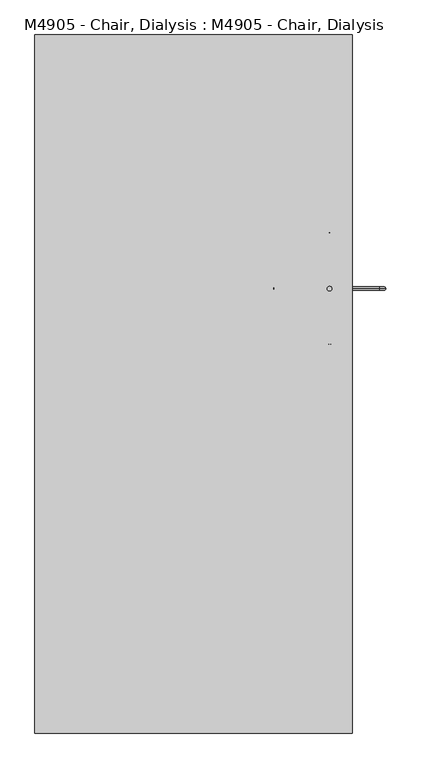
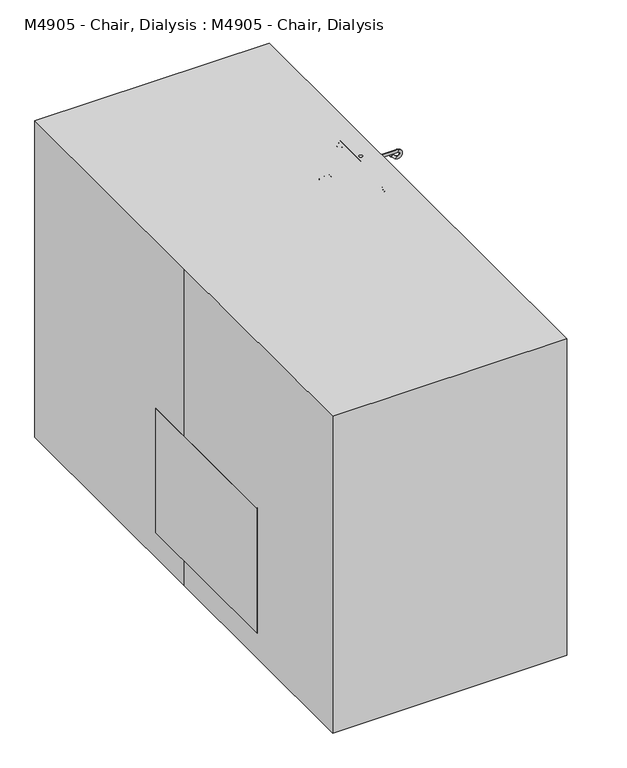
"""IFC4 building model written with IfcOpenShell, lengths in millimetres: proxy geometry, M4905 - Chair, Dialysis : M4905 - Chair, Dialysis."""

from ifc_helpers import new_model, si_unit, point, frame, frame_2d, origin, origin_with_axes, place, context, project, spatial, polyline, circle_curve, ellipse_curve, trimmed, segment, composite_curve, outline, extrude, source, transform, mapped, element, save
from ifc_brep_helpers import plane_surface, cylinder_surface, revolved_surface, advanced_brep


def m4905_chair_dialysis_m4905_chair_dialysis_fdb51b80(model_context):
    return source(origin(), model_context, "Body", "SolidModel", [
        extrude(outline(composite_curve([segment(trimmed(circle_curve(frame_2d((381.0, 266.9315863)), 12.7), [point((368.3, 266.9315863))], [point((393.7, 266.9315863))], False, "CARTESIAN"), True, "CONTINUOUS"), segment(trimmed(circle_curve(frame_2d((381.0, 266.9315863)), 12.7), [point((393.7, 266.9315863))], [point((368.3, 266.9315863))], False, "CARTESIAN"), True, "CONTINUOUS")], self_intersect=False)), frame((0.0, 0.0, 171.69085), z_axis=(0.0, 0.0, 1.0), x_axis=(1.0, 0.0, 0.0)), (0.0, 0.0, 1.0), 450.60915),
        extrude(outline(composite_curve([segment(trimmed(circle_curve(frame_2d((381.0, 266.9315863)), 6.35), [point((374.65, 266.9315863))], [point((387.35, 266.9315863))], False, "CARTESIAN"), True, "CONTINUOUS"), segment(trimmed(circle_curve(frame_2d((381.0, 266.9315863)), 6.35), [point((387.35, 266.9315863))], [point((374.65, 266.9315863))], False, "CARTESIAN"), True, "CONTINUOUS")], self_intersect=False)), frame((0.0, 0.0, 622.3), z_axis=(0.0, 0.0, 1.0), x_axis=(1.0, 0.0, 0.0)), (0.0, 0.0, 1.0), 647.7),
        advanced_brep(
        [(381.0, 384.4070079, 1236.1080135), (381.0, 378.8312399, 1228.3855504), (381.0, 401.9851129, 1223.4162808), (381.0, 396.4093448, 1215.6938178), (381.0, 406.6315863, 1247.3141667), (381.0, 406.6315863, 1237.7891667), (381.0, 127.2315863, 1237.7891667), (381.0, 127.2315863, 1247.3141667), (381.0, 137.4538277, 1215.6938178), (381.0, 131.8780597, 1223.4162808), (381.0, 149.4561646, 1236.1080135), (381.0, 155.0319327, 1228.3855504)],
        [
            (0, 1, circle_curve(frame((381.0, 381.6191239, 1232.246782), z_axis=(0.0, -0.8107572744902805, 0.5853824748496423), x_axis=(0.0, -0.5853824748496423, -0.8107572744902805)), 4.7625)),
            (1, 0, circle_curve(frame((381.0, 381.6191239, 1232.246782), z_axis=(0.0, -0.8107572744902805, 0.5853824748496423), x_axis=(0.0, -0.5853824748496423, -0.8107572744902805)), 4.7625)),
            (0, 2),
            (2, 3, circle_curve(frame((381.0, 399.1972288, 1219.5550493), z_axis=(0.0, -0.8107572744902805, 0.5853824748496423), x_axis=(0.0, -0.5853824748496423, -0.8107572744902805)), 4.7625)),
            (3, 1),
            (3, 2, circle_curve(frame((381.0, 399.1972288, 1219.5550493), z_axis=(0.0, -0.8107572744902805, 0.5853824748496423), x_axis=(0.0, -0.5853824748496423, -0.8107572744902805)), 4.7625)),
            (4, 3, circle_curve(frame((381.0, 406.6315863, 1229.8516667), z_axis=(-1.0, 0.0, 0.0), x_axis=(0.0, -0.5853824748496388, -0.810757274490283)), 17.4625)),
            (2, 5, circle_curve(frame((381.0, 406.6315863, 1229.8516667), z_axis=(1.0, 0.0, 0.0), x_axis=(0.0, -0.5853824748496388, -0.810757274490283)), 7.9375)),
            (5, 4, circle_curve(frame((381.0, 406.6315863, 1242.5516667), z_axis=(0.0, 1.0, 0.0), x_axis=(0.0, 0.0, 1.0)), 4.7625)),
            (4, 5, circle_curve(frame((381.0, 406.6315863, 1242.5516667), z_axis=(0.0, 1.0, 0.0), x_axis=(0.0, 0.0, 1.0)), 4.7625)),
            (5, 6),
            (6, 7, circle_curve(frame((381.0, 127.2315863, 1242.5516667), z_axis=(0.0, 1.0, 0.0), x_axis=(0.0, 0.0, 1.0)), 4.7625)),
            (7, 4),
            (7, 6, circle_curve(frame((381.0, 127.2315863, 1242.5516667), z_axis=(0.0, 1.0, 0.0), x_axis=(0.0, 0.0, 1.0)), 4.7625)),
            (8, 7, circle_curve(frame((381.0, 127.2315863, 1229.8516667), z_axis=(-1.0, 0.0, 0.0), x_axis=(0.0, 0.0, 1.0)), 17.4625)),
            (6, 9, circle_curve(frame((381.0, 127.2315863, 1229.8516667), z_axis=(1.0, 0.0, 0.0), x_axis=(0.0, 0.0, 1.0)), 7.9375)),
            (9, 8, circle_curve(frame((381.0, 134.6659437, 1219.5550493), z_axis=(0.0, -0.8107572744906141, -0.5853824748491802), x_axis=(0.0, 0.5853824748491802, -0.8107572744906141)), 4.7625)),
            (8, 9, circle_curve(frame((381.0, 134.6659437, 1219.5550493), z_axis=(0.0, -0.8107572744895731, -0.5853824748506218), x_axis=(0.0, 0.5853824748506218, -0.8107572744895731)), 4.7625)),
            (10, 11, circle_curve(frame((381.0, 152.2440486, 1232.246782), z_axis=(0.0, 0.8107572744898955, 0.5853824748501754), x_axis=(0.0, 0.5853824748501754, -0.8107572744898955)), 4.7625)),
            (11, 10, circle_curve(frame((381.0, 152.2440486, 1232.246782), z_axis=(0.0, 0.8107572744898955, 0.5853824748501754), x_axis=(0.0, 0.5853824748501754, -0.8107572744898955)), 4.7625)),
            (9, 10),
            (11, 8),
        ],
        [
            plane_surface(frame((647.7, 381.6191239, 1232.246782), z_axis=(0.0, -0.8107572744902805, 0.5853824748496423), x_axis=(-1.0, 0.0, 0.0))),
            cylinder_surface(frame((381.0, 381.6191239, 1232.246782), z_axis=(0.0, -0.8107572744902805, 0.5853824748496423), x_axis=(0.0, -0.5853824748496423, -0.8107572744902805)), 4.7625),
            revolved_surface(trimmed(ellipse_curve(frame((381.0, 399.1972288, 1219.5550493), z_axis=(0.0, -0.810757274490283, 0.5853824748496388), x_axis=(0.0, -0.5853824748496388, -0.810757274490283)), 4.7625, 4.7625), [point((381.0, 401.9851129, 1223.4162808))], [point((381.0, 396.4093448, 1215.6938178))], True, "CARTESIAN"), (647.7, 406.6315863, 1229.8516667), (1.0, 0.0, 0.0)),
            revolved_surface(trimmed(ellipse_curve(frame((381.0, 399.1972288, 1219.5550493), z_axis=(0.0, -0.810757274490283, 0.5853824748496388), x_axis=(0.0, -0.5853824748496388, -0.810757274490283)), 4.7625, 4.7625), [point((381.0, 396.4093448, 1215.6938178))], [point((381.0, 401.9851129, 1223.4162808))], True, "CARTESIAN"), (647.7, 406.6315863, 1229.8516667), (1.0, 0.0, 0.0)),
            cylinder_surface(frame((381.0, 406.6315863, 1242.5516667), z_axis=(0.0, 1.0, 0.0), x_axis=(0.0, 0.0, 1.0)), 4.7625),
            revolved_surface(trimmed(ellipse_curve(frame((381.0, 127.2315863, 1242.5516667), z_axis=(0.0, 1.0, 0.0), x_axis=(0.0, 0.0, 1.0)), 4.7625, 4.7625), [point((381.0, 127.2315863, 1237.7891667))], [point((381.0, 127.2315863, 1247.3141667))], True, "CARTESIAN"), (647.7, 127.2315863, 1229.8516667), (1.0, 0.0, 0.0)),
            revolved_surface(trimmed(ellipse_curve(frame((381.0, 127.2315863, 1242.5516667), z_axis=(0.0, 1.0, 0.0), x_axis=(0.0, 0.0, 1.0)), 4.7625, 4.7625), [point((381.0, 127.2315863, 1247.3141667))], [point((381.0, 127.2315863, 1237.7891667))], True, "CARTESIAN"), (647.7, 127.2315863, 1229.8516667), (1.0, 0.0, 0.0)),
            plane_surface(frame((647.7, 152.2440486, 1232.246782), z_axis=(0.0, 0.8107572744898955, 0.5853824748501754), x_axis=(-1.0, 0.0, 0.0))),
            cylinder_surface(frame((381.0, 134.6659437, 1219.5550493), z_axis=(0.0, -0.8107572744898955, -0.5853824748501754), x_axis=(0.0, 0.5853824748501754, -0.8107572744898955)), 4.7625),
        ],
        [
            (0, [[1, 2]]),
            (1, [[-1, 3, 4, 5]]),
            (1, [[-2, -5, 6, -3]]),
            (2, [[7, -4, 8, 9]]),
            (3, [[-8, -6, -7, 10]]),
            (4, [[-9, 11, 12, 13]]),
            (4, [[-10, -13, 14, -11]]),
            (5, [[15, -12, 16, 17]]),
            (6, [[-16, -14, -15, 18]]),
            (7, [[19, 20]]),
            (8, [[-17, 21, -20, 22]]),
            (8, [[-18, -22, -19, -21]]),
        ],
    ),
        advanced_brep(
        [(263.5245783, 266.9315863, 1236.1080135), (269.1003464, 266.9315863, 1228.3855504), (245.9464734, 266.9315863, 1223.4162808), (251.5222415, 266.9315863, 1215.6938178), (241.3, 266.9315863, 1247.3141667), (241.3, 266.9315863, 1237.7891667), (520.7, 266.9315863, 1237.7891667), (520.7, 266.9315863, 1247.3141667), (510.4777585, 266.9315863, 1215.6938178), (516.0535266, 266.9315863, 1223.4162808), (498.4754217, 266.9315863, 1236.1080135), (492.8996536, 266.9315863, 1228.3855504)],
        [
            (0, 1, circle_curve(frame((266.3124624, 266.9315863, 1232.246782), z_axis=(0.810757274490287, 0.0, 0.5853824748496332), x_axis=(0.5853824748496332, 0.0, -0.810757274490287)), 4.7625)),
            (1, 0, circle_curve(frame((266.3124624, 266.9315863, 1232.246782), z_axis=(0.810757274490287, 0.0, 0.5853824748496332), x_axis=(0.5853824748496332, 0.0, -0.810757274490287)), 4.7625)),
            (0, 2),
            (2, 3, circle_curve(frame((248.7343574, 266.9315863, 1219.5550493), z_axis=(0.810757274490287, 0.0, 0.5853824748496332), x_axis=(0.5853824748496332, 0.0, -0.810757274490287)), 4.7625)),
            (3, 1),
            (3, 2, circle_curve(frame((248.7343574, 266.9315863, 1219.5550493), z_axis=(0.810757274490287, 0.0, 0.5853824748496332), x_axis=(0.5853824748496332, 0.0, -0.810757274490287)), 4.7625)),
            (4, 3, circle_curve(frame((241.3, 266.9315863, 1229.8516667), z_axis=(0.0, -1.0, 0.0), x_axis=(0.5853824748496301, 0.0, -0.8107572744902892)), 17.4625)),
            (2, 5, circle_curve(frame((241.3, 266.9315863, 1229.8516667), z_axis=(0.0, 1.0, 0.0), x_axis=(0.5853824748496301, 0.0, -0.8107572744902892)), 7.9375)),
            (5, 4, circle_curve(frame((241.3, 266.9315863, 1242.5516667), z_axis=(-1.0, 0.0, 0.0), x_axis=(0.0, 0.0, 1.0)), 4.7625)),
            (4, 5, circle_curve(frame((241.3, 266.9315863, 1242.5516667), z_axis=(-1.0, 0.0, 0.0), x_axis=(0.0, 0.0, 1.0)), 4.7625)),
            (5, 6),
            (6, 7, circle_curve(frame((520.7, 266.9315863, 1242.5516667), z_axis=(-1.0, 0.0, 0.0), x_axis=(0.0, 0.0, 1.0)), 4.7625)),
            (7, 4),
            (7, 6, circle_curve(frame((520.7, 266.9315863, 1242.5516667), z_axis=(-1.0, 0.0, 0.0), x_axis=(0.0, 0.0, 1.0)), 4.7625)),
            (8, 7, circle_curve(frame((520.7, 266.9315863, 1229.8516667), z_axis=(0.0, -1.0, 0.0), x_axis=(0.0, 0.0, 1.0)), 17.4625)),
            (6, 9, circle_curve(frame((520.7, 266.9315863, 1229.8516667), z_axis=(0.0, 1.0, 0.0), x_axis=(0.0, 0.0, 1.0)), 7.9375)),
            (9, 8, circle_curve(frame((513.2656426, 266.9315863, 1219.5550493), z_axis=(0.8107572744899207, 0.0, -0.5853824748501405), x_axis=(-0.5853824748501405, 0.0, -0.8107572744899207)), 4.7625)),
            (8, 9, circle_curve(frame((513.2656426, 266.9315863, 1219.5550493), z_axis=(0.8107572744899088, 0.0, -0.585382474850157), x_axis=(-0.585382474850157, 0.0, -0.8107572744899088)), 4.7625)),
            (10, 11, circle_curve(frame((495.6875376, 266.9315863, 1232.246782), z_axis=(-0.8107572744899004, 0.0, 0.5853824748501686), x_axis=(-0.5853824748501686, 0.0, -0.8107572744899004)), 4.7625)),
            (11, 10, circle_curve(frame((495.6875376, 266.9315863, 1232.246782), z_axis=(-0.8107572744899004, 0.0, 0.5853824748501686), x_axis=(-0.5853824748501686, 0.0, -0.8107572744899004)), 4.7625)),
            (9, 10),
            (11, 8),
        ],
        [
            plane_surface(frame((266.3124624, 482.8315863, 1232.246782), z_axis=(0.810757274490287, 0.0, 0.5853824748496332), x_axis=(0.0, -1.0, 0.0))),
            cylinder_surface(frame((266.3124624, 266.9315863, 1232.246782), z_axis=(0.810757274490287, 0.0, 0.5853824748496332), x_axis=(0.5853824748496332, 0.0, -0.810757274490287)), 4.7625),
            revolved_surface(trimmed(ellipse_curve(frame((248.7343574, 266.9315863, 1219.5550493), z_axis=(0.8107572744902892, 0.0, 0.5853824748496301), x_axis=(0.5853824748496301, 0.0, -0.8107572744902892)), 4.7625, 4.7625), [point((245.9464734, 266.9315863, 1223.4162808))], [point((251.5222415, 266.9315863, 1215.6938178))], True, "CARTESIAN"), (241.3, 482.8315863, 1229.8516667), (0.0, 1.0, 0.0)),
            revolved_surface(trimmed(ellipse_curve(frame((248.7343574, 266.9315863, 1219.5550493), z_axis=(0.8107572744902892, 0.0, 0.5853824748496301), x_axis=(0.5853824748496301, 0.0, -0.8107572744902892)), 4.7625, 4.7625), [point((251.5222415, 266.9315863, 1215.6938178))], [point((245.9464734, 266.9315863, 1223.4162808))], True, "CARTESIAN"), (241.3, 482.8315863, 1229.8516667), (0.0, 1.0, 0.0)),
            cylinder_surface(frame((241.3, 266.9315863, 1242.5516667), z_axis=(-1.0, 0.0, 0.0), x_axis=(0.0, 0.0, 1.0)), 4.7625),
            revolved_surface(trimmed(ellipse_curve(frame((520.7, 266.9315863, 1242.5516667), z_axis=(-1.0, 0.0, 0.0), x_axis=(0.0, 0.0, 1.0)), 4.7625, 4.7625), [point((520.7, 266.9315863, 1237.7891667))], [point((520.7, 266.9315863, 1247.3141667))], True, "CARTESIAN"), (520.7, 482.8315863, 1229.8516667), (0.0, 1.0, 0.0)),
            revolved_surface(trimmed(ellipse_curve(frame((520.7, 266.9315863, 1242.5516667), z_axis=(-1.0, 0.0, 0.0), x_axis=(0.0, 0.0, 1.0)), 4.7625, 4.7625), [point((520.7, 266.9315863, 1247.3141667))], [point((520.7, 266.9315863, 1237.7891667))], True, "CARTESIAN"), (520.7, 482.8315863, 1229.8516667), (0.0, 1.0, 0.0)),
            plane_surface(frame((495.6875376, 482.8315863, 1232.246782), z_axis=(-0.8107572744899004, 0.0, 0.5853824748501686), x_axis=(0.0, -1.0, 0.0))),
            cylinder_surface(frame((513.2656426, 266.9315863, 1219.5550493), z_axis=(0.8107572744899004, 0.0, -0.5853824748501686), x_axis=(-0.5853824748501686, 0.0, -0.8107572744899004)), 4.7625),
        ],
        [
            (0, [[1, 2]]),
            (1, [[-1, 3, 4, 5]]),
            (1, [[-2, -5, 6, -3]]),
            (2, [[7, -4, 8, 9]]),
            (3, [[-8, -6, -7, 10]]),
            (4, [[-9, 11, 12, 13]]),
            (4, [[-10, -13, 14, -11]]),
            (5, [[15, -12, 16, 17]]),
            (6, [[-16, -14, -15, 18]]),
            (7, [[19, 20]]),
            (8, [[-17, 21, -20, 22]]),
            (8, [[-18, -22, -19, -21]]),
        ],
    ),
        extrude(outline(polyline([(419.1, 298.45), (419.1, 234.95), (-419.1, 234.95), (-419.1, 298.45), (419.1, 298.45)])), frame((0.0, 0.0, 108.19085), z_axis=(0.0, 0.0, 1.0), x_axis=(1.0, 0.0, 0.0)), (0.0, 0.0, 1.0), 63.5),
        extrude(outline(polyline([(255.480859, 323.85), (331.680859, 323.85), (331.680859, -381.0), (255.480859, -381.0), (255.480859, 323.85)])), frame((0.0, 0.0, 99.5516667), z_axis=(0.0, 0.0, 1.0), x_axis=(1.0, 0.0, 0.0)), (0.0, 0.0, 1.0), 76.2),
        extrude(outline(polyline([(-354.119141, 323.85), (-277.919141, 323.85), (-277.919141, -381.0), (-354.119141, -381.0), (-354.119141, 323.85)])), frame((0.0, 0.0, 99.5516667), z_axis=(0.0, 0.0, 1.0), x_axis=(1.0, 0.0, 0.0)), (0.0, 0.0, 1.0), 76.2),
        extrude(outline(polyline([(255.480859, -311.15), (255.480859, -374.65), (-277.919141, -374.65), (-277.919141, -311.15), (255.480859, -311.15)])), frame((0.0, 0.0, 108.19085), z_axis=(0.0, 0.0, 1.0), x_axis=(1.0, 0.0, 0.0)), (0.0, 0.0, 1.0), 63.5),
        extrude(outline(composite_curve([segment(trimmed(circle_curve(frame_2d((-325.9666667, 50.8)), 50.8), [point((-376.7666667, 50.8))], [point((-275.1666667, 50.8))], False, "CARTESIAN"), True, "CONTINUOUS"), segment(trimmed(circle_curve(frame_2d((-325.9666667, 50.8)), 50.8), [point((-275.1666667, 50.8))], [point((-376.7666667, 50.8))], False, "CARTESIAN"), True, "CONTINUOUS")], self_intersect=False)), frame((255.480859, 0.0, 0.0), z_axis=(1.0, 0.0, 0.0), x_axis=(0.0, 1.0, 0.0)), (0.0, 0.0, 1.0), 19.05),
        extrude(outline(composite_curve([segment(trimmed(circle_curve(frame_2d((-325.9666667, 50.8)), 50.8), [point((-376.7666667, 50.8))], [point((-275.1666667, 50.8))], False, "CARTESIAN"), True, "CONTINUOUS"), segment(trimmed(circle_curve(frame_2d((-325.9666667, 50.8)), 50.8), [point((-275.1666667, 50.8))], [point((-376.7666667, 50.8))], False, "CARTESIAN"), True, "CONTINUOUS")], self_intersect=False)), frame((312.630859, 0.0, 0.0), z_axis=(1.0, 0.0, 0.0), x_axis=(0.0, 1.0, 0.0)), (0.0, 0.0, 1.0), 19.05),
        extrude(outline(composite_curve([segment(trimmed(circle_curve(frame_2d((293.580859, -342.9)), 16.9333333), [point((310.5141923, -342.9))], [point((276.6475256, -342.9))], False, "CARTESIAN"), True, "CONTINUOUS"), segment(trimmed(circle_curve(frame_2d((293.580859, -342.9)), 16.9333333), [point((276.6475256, -342.9))], [point((310.5141923, -342.9))], False, "CARTESIAN"), True, "CONTINUOUS")], self_intersect=False)), frame((0.0, 0.0, 50.8), z_axis=(0.0, 0.0, 1.0), x_axis=(1.0, 0.0, 0.0)), (0.0, 0.0, 1.0), 50.8),
        extrude(outline(composite_curve([segment(trimmed(circle_curve(frame_2d((-325.9666667, 50.8)), 33.8666667), [point((-292.1, 50.8))], [point((-359.8333333, 50.8))], False, "CARTESIAN"), True, "CONTINUOUS"), segment(trimmed(circle_curve(frame_2d((-325.9666667, 50.8)), 33.8666667), [point((-359.8333333, 50.8))], [point((-292.1, 50.8))], False, "CARTESIAN"), True, "CONTINUOUS")], self_intersect=False)), frame((274.530859, 0.0, 0.0), z_axis=(1.0, 0.0, 0.0), x_axis=(0.0, 1.0, 0.0)), (0.0, 0.0, 1.0), 38.1),
        extrude(outline(composite_curve([segment(trimmed(circle_curve(frame_2d((-325.9666667, 50.8)), 50.8), [point((-376.7666667, 50.8))], [point((-275.1666667, 50.8))], False, "CARTESIAN"), True, "CONTINUOUS"), segment(trimmed(circle_curve(frame_2d((-325.9666667, 50.8)), 50.8), [point((-275.1666667, 50.8))], [point((-376.7666667, 50.8))], False, "CARTESIAN"), True, "CONTINUOUS")], self_intersect=False)), frame((-299.930859, 0.0, 0.0), z_axis=(1.0, 0.0, 0.0), x_axis=(0.0, 1.0, 0.0)), (0.0, 0.0, 1.0), 19.05),
        extrude(outline(composite_curve([segment(trimmed(circle_curve(frame_2d((-325.9666667, 50.8)), 50.8), [point((-376.7666667, 50.8))], [point((-275.1666667, 50.8))], False, "CARTESIAN"), True, "CONTINUOUS"), segment(trimmed(circle_curve(frame_2d((-325.9666667, 50.8)), 50.8), [point((-275.1666667, 50.8))], [point((-376.7666667, 50.8))], False, "CARTESIAN"), True, "CONTINUOUS")], self_intersect=False)), frame((-357.080859, 0.0, 0.0), z_axis=(1.0, 0.0, 0.0), x_axis=(0.0, 1.0, 0.0)), (0.0, 0.0, 1.0), 19.05),
        extrude(outline(composite_curve([segment(trimmed(circle_curve(frame_2d((-318.980859, -342.9)), 16.9333333), [point((-335.9141923, -342.9))], [point((-302.0475256, -342.9))], False, "CARTESIAN"), True, "CONTINUOUS"), segment(trimmed(circle_curve(frame_2d((-318.980859, -342.9)), 16.9333333), [point((-302.0475256, -342.9))], [point((-335.9141923, -342.9))], False, "CARTESIAN"), True, "CONTINUOUS")], self_intersect=False)), frame((0.0, 0.0, 50.8), z_axis=(0.0, 0.0, 1.0), x_axis=(1.0, 0.0, 0.0)), (0.0, 0.0, 1.0), 50.8),
        extrude(outline(composite_curve([segment(trimmed(circle_curve(frame_2d((-325.9666667, 50.8)), 33.8666667), [point((-292.1, 50.8))], [point((-359.8333333, 50.8))], False, "CARTESIAN"), True, "CONTINUOUS"), segment(trimmed(circle_curve(frame_2d((-325.9666667, 50.8)), 33.8666667), [point((-359.8333333, 50.8))], [point((-292.1, 50.8))], False, "CARTESIAN"), True, "CONTINUOUS")], self_intersect=False)), frame((-338.030859, 0.0, 0.0), z_axis=(1.0, 0.0, 0.0), x_axis=(0.0, 1.0, 0.0)), (0.0, 0.0, 1.0), 38.1),
        extrude(outline(composite_curve([segment(trimmed(circle_curve(frame_2d((279.4, 50.8)), 50.8), [point((330.2, 50.8))], [point((228.6, 50.8))], False, "CARTESIAN"), True, "CONTINUOUS"), segment(trimmed(circle_curve(frame_2d((279.4, 50.8)), 50.8), [point((228.6, 50.8))], [point((330.2, 50.8))], False, "CARTESIAN"), True, "CONTINUOUS")], self_intersect=False)), frame((255.480859, 0.0, 0.0), z_axis=(1.0, 0.0, 0.0), x_axis=(0.0, 1.0, 0.0)), (0.0, 0.0, 1.0), 19.05),
        extrude(outline(composite_curve([segment(trimmed(circle_curve(frame_2d((279.4, 50.8)), 50.8), [point((330.2, 50.8))], [point((228.6, 50.8))], False, "CARTESIAN"), True, "CONTINUOUS"), segment(trimmed(circle_curve(frame_2d((279.4, 50.8)), 50.8), [point((228.6, 50.8))], [point((330.2, 50.8))], False, "CARTESIAN"), True, "CONTINUOUS")], self_intersect=False)), frame((312.630859, 0.0, 0.0), z_axis=(1.0, 0.0, 0.0), x_axis=(0.0, 1.0, 0.0)), (0.0, 0.0, 1.0), 19.05),
        extrude(outline(composite_curve([segment(trimmed(circle_curve(frame_2d((293.580859, 296.3333333)), 16.9333333), [point((310.5141923, 296.3333333))], [point((276.6475256, 296.3333333))], False, "CARTESIAN"), True, "CONTINUOUS"), segment(trimmed(circle_curve(frame_2d((293.580859, 296.3333333)), 16.9333333), [point((276.6475256, 296.3333333))], [point((310.5141923, 296.3333333))], False, "CARTESIAN"), True, "CONTINUOUS")], self_intersect=False)), frame((0.0, 0.0, 50.8), z_axis=(0.0, 0.0, 1.0), x_axis=(1.0, 0.0, 0.0)), (0.0, 0.0, 1.0), 50.8),
        extrude(outline(composite_curve([segment(trimmed(circle_curve(frame_2d((279.4, 50.8)), 33.8666667), [point((245.5333333, 50.8))], [point((313.2666667, 50.8))], False, "CARTESIAN"), True, "CONTINUOUS"), segment(trimmed(circle_curve(frame_2d((279.4, 50.8)), 33.8666667), [point((313.2666667, 50.8))], [point((245.5333333, 50.8))], False, "CARTESIAN"), True, "CONTINUOUS")], self_intersect=False)), frame((274.530859, 0.0, 0.0), z_axis=(1.0, 0.0, 0.0), x_axis=(0.0, 1.0, 0.0)), (0.0, 0.0, 1.0), 38.1),
        extrude(outline(composite_curve([segment(trimmed(circle_curve(frame_2d((279.4, 50.8)), 50.8), [point((330.2, 50.8))], [point((228.6, 50.8))], False, "CARTESIAN"), True, "CONTINUOUS"), segment(trimmed(circle_curve(frame_2d((279.4, 50.8)), 50.8), [point((228.6, 50.8))], [point((330.2, 50.8))], False, "CARTESIAN"), True, "CONTINUOUS")], self_intersect=False)), frame((-299.930859, 0.0, 0.0), z_axis=(1.0, 0.0, 0.0), x_axis=(0.0, 1.0, 0.0)), (0.0, 0.0, 1.0), 19.05),
        extrude(outline(composite_curve([segment(trimmed(circle_curve(frame_2d((279.4, 50.8)), 50.8), [point((330.2, 50.8))], [point((228.6, 50.8))], False, "CARTESIAN"), True, "CONTINUOUS"), segment(trimmed(circle_curve(frame_2d((279.4, 50.8)), 50.8), [point((228.6, 50.8))], [point((330.2, 50.8))], False, "CARTESIAN"), True, "CONTINUOUS")], self_intersect=False)), frame((-357.080859, 0.0, 0.0), z_axis=(1.0, 0.0, 0.0), x_axis=(0.0, 1.0, 0.0)), (0.0, 0.0, 1.0), 19.05),
        extrude(outline(composite_curve([segment(trimmed(circle_curve(frame_2d((-318.980859, 296.3333333)), 16.9333333), [point((-335.9141923, 296.3333333))], [point((-302.0475256, 296.3333333))], False, "CARTESIAN"), True, "CONTINUOUS"), segment(trimmed(circle_curve(frame_2d((-318.980859, 296.3333333)), 16.9333333), [point((-302.0475256, 296.3333333))], [point((-335.9141923, 296.3333333))], False, "CARTESIAN"), True, "CONTINUOUS")], self_intersect=False)), frame((0.0, 0.0, 50.8), z_axis=(0.0, 0.0, 1.0), x_axis=(1.0, 0.0, 0.0)), (0.0, 0.0, 1.0), 50.8),
        extrude(outline(composite_curve([segment(trimmed(circle_curve(frame_2d((279.4, 50.8)), 33.8666667), [point((245.5333333, 50.8))], [point((313.2666667, 50.8))], False, "CARTESIAN"), True, "CONTINUOUS"), segment(trimmed(circle_curve(frame_2d((279.4, 50.8)), 33.8666667), [point((313.2666667, 50.8))], [point((245.5333333, 50.8))], False, "CARTESIAN"), True, "CONTINUOUS")], self_intersect=False)), frame((-338.030859, 0.0, 0.0), z_axis=(1.0, 0.0, 0.0), x_axis=(0.0, 1.0, 0.0)), (0.0, 0.0, 1.0), 38.1),
        extrude(outline(polyline([(330.2, 182.829858), (330.2, 132.029858), (-330.2, 132.029858), (-330.2, 182.829858), (330.2, 182.829858)])), frame((0.0, 0.0, 175.7516667), z_axis=(0.0, 0.0, 1.0), x_axis=(1.0, 0.0, 0.0)), (0.0, 0.0, 1.0), 154.4483333),
        extrude(outline(composite_curve([segment(polyline([(111.703548, 310.4779888), (62.634516, 323.6259963)]), True, "CONTINUOUS"), segment(trimmed(circle_curve(frame_2d((69.2085197, 348.1605122)), 25.4), [point((62.634516, 323.6259963))], [point((44.6740037, 354.734516))], False, "CARTESIAN"), True, "CONTINUOUS"), segment(polyline([(44.6740037, 354.734516), (64.6476209, 429.2770699)]), True, "CONTINUOUS"), segment(trimmed(circle_curve(frame_2d((677.5149552, 416.2618487)), 613.0055183), [point((64.6476209, 429.2770699))], [point((140.2486639, 711.4240037))], False, "CARTESIAN"), True, "CONTINUOUS"), segment(trimmed(circle_curve(frame_2d((-397.0176273, 1006.5861588)), 613.0055183), [point((140.2486639, 711.4240037))], [point((215.849707, 993.5709376))], True, "CARTESIAN"), True, "CONTINUOUS"), segment(trimmed(circle_curve(frame_2d((304.6243401, 991.6856658)), 88.7946492), [point((215.849707, 993.5709376))], [point((291.4663599, 1079.5))], False, "CARTESIAN"), True, "CONTINUOUS"), segment(polyline([(291.4663599, 1079.5), (316.0008758, 1072.9259963)]), True, "CONTINUOUS"), segment(trimmed(circle_curve(frame_2d((309.4268721, 1048.3914803)), 25.4), [point((316.0008758, 1072.9259963))], [point((333.9613881, 1041.8174765))], False, "CARTESIAN"), True, "CONTINUOUS"), segment(polyline([(333.9613881, 1041.8174765), (142.8120677, 328.438501)]), True, "CONTINUOUS"), segment(trimmed(circle_curve(frame_2d((118.2775517, 335.0125048)), 25.4), [point((142.8120677, 328.438501))], [point((111.703548, 310.4779888))], False, "CARTESIAN"), True, "CONTINUOUS")], self_intersect=False)), frame((-330.2, 0.0, 0.0), z_axis=(1.0, 0.0, 0.0), x_axis=(0.0, 1.0, 0.0)), (0.0, 0.0, 1.0), 660.4),
        extrude(outline(composite_curve([segment(polyline([(622.3, -355.6), (622.3, -419.1)]), True, "CONTINUOUS"), segment(trimmed(circle_curve(frame_2d((596.9, -419.1)), 25.4), [point((622.3, -419.1))], [point((596.9, -444.5))], False, "CARTESIAN"), True, "CONTINUOUS"), segment(polyline([(596.9, -444.5), (99.5516667, -444.5), (99.5516667, -330.2), (596.9, -330.2)]), True, "CONTINUOUS"), segment(trimmed(circle_curve(frame_2d((596.9, -355.6)), 25.4), [point((596.9, -330.2))], [point((622.3, -355.6))], False, "CARTESIAN"), True, "CONTINUOUS")], self_intersect=False)), frame((0.0, -482.6, 0.0), z_axis=(0.0, 1.0, 0.0), x_axis=(0.0, 0.0, 1.0)), (0.0, 0.0, 1.0), 665.429858),
        extrude(outline(composite_curve([segment(polyline([(622.3, 419.1), (622.3, 355.6)]), True, "CONTINUOUS"), segment(trimmed(circle_curve(frame_2d((596.9, 355.6)), 25.4), [point((622.3, 355.6))], [point((596.9, 330.2))], False, "CARTESIAN"), True, "CONTINUOUS"), segment(polyline([(596.9, 330.2), (99.5516667, 330.2), (99.5516667, 444.5), (596.9, 444.5)]), True, "CONTINUOUS"), segment(trimmed(circle_curve(frame_2d((596.9, 419.1)), 25.4), [point((596.9, 444.5))], [point((622.3, 419.1))], False, "CARTESIAN"), True, "CONTINUOUS")], self_intersect=False)), frame((0.0, -482.6, 0.0), z_axis=(0.0, 1.0, 0.0), x_axis=(0.0, 0.0, 1.0)), (0.0, 0.0, 1.0), 665.429858),
        extrude(outline(composite_curve([segment(polyline([(317.5, 269.6121072), (317.5, -266.7)]), True, "CONTINUOUS"), segment(trimmed(circle_curve(frame_2d((266.7, -266.7)), 50.8), [point((317.5, -266.7))], [point((266.7, -317.5))], False, "CARTESIAN"), True, "CONTINUOUS"), segment(polyline([(266.7, -317.5), (140.6703584, -317.5)]), True, "CONTINUOUS"), segment(trimmed(circle_curve(frame_2d((140.6703584, -266.7)), 50.8), [point((140.6703584, -317.5))], [point((89.8703584, -266.7))], False, "CARTESIAN"), True, "CONTINUOUS"), segment(polyline([(89.8703584, -266.7), (89.8703584, 269.6121072)]), True, "CONTINUOUS"), segment(trimmed(circle_curve(frame_2d((140.6703584, 269.6121072)), 50.8), [point((89.8703584, 269.6121072))], [point((140.6703584, 320.4121072))], False, "CARTESIAN"), True, "CONTINUOUS"), segment(polyline([(140.6703584, 320.4121072), (266.7, 320.4121072)]), True, "CONTINUOUS"), segment(trimmed(circle_curve(frame_2d((266.7, 269.6121072)), 50.8), [point((266.7, 320.4121072))], [point((317.5, 269.6121072))], False, "CARTESIAN"), True, "CONTINUOUS")], self_intersect=False)), frame((0.0, -482.6, 0.0), z_axis=(0.0, 1.0, 0.0), x_axis=(0.0, 0.0, 1.0)), (0.0, 0.0, 1.0), 101.6),
        extrude(outline(composite_curve([segment(trimmed(circle_curve(frame_2d((279.4, -12.7)), 50.8), [point((279.4, 38.1))], [point((330.2, -12.7))], False, "CARTESIAN"), True, "CONTINUOUS"), segment(polyline([(330.2, -12.7), (330.2, -431.8)]), True, "CONTINUOUS"), segment(trimmed(circle_curve(frame_2d((279.4, -431.8)), 50.8), [point((330.2, -431.8))], [point((279.4, -482.6))], False, "CARTESIAN"), True, "CONTINUOUS"), segment(polyline([(279.4, -482.6), (-279.4, -482.6)]), True, "CONTINUOUS"), segment(trimmed(circle_curve(frame_2d((-279.4, -431.8)), 50.8), [point((-279.4, -482.6))], [point((-330.2, -431.8))], False, "CARTESIAN"), True, "CONTINUOUS"), segment(polyline([(-330.2, -431.8), (-330.2, -12.7)]), True, "CONTINUOUS"), segment(trimmed(circle_curve(frame_2d((-279.4, -12.7)), 50.8), [point((-330.2, -12.7))], [point((-279.4, 38.1))], False, "CARTESIAN"), True, "CONTINUOUS"), segment(polyline([(-279.4, 38.1), (279.4, 38.1)]), True, "CONTINUOUS")], self_intersect=False)), frame((0.0, 0.0, 330.2), z_axis=(0.0, 0.0, 1.0), x_axis=(1.0, 0.0, 0.0)), (0.0, 0.0, 1.0), 101.6),
        extrude(outline(polyline([(-444.5, 977.9), (444.5, 977.9), (444.5, -977.9), (-444.5, -977.9), (-444.5, 0.0), (-444.5, 977.9)])), origin_with_axes(), (0.0, 0.0, 1.0), 1270.0),
    ])


if __name__ == "__main__":
    model = new_model("IFC4")
    model_context = context("Model", 3, world=origin())
    ifc_project = project(units=[si_unit("LENGTHUNIT", "METRE", prefix="MILLI")], contexts=[model_context])
    site = spatial("IfcSite", under=ifc_project)
    building = spatial("IfcBuilding", under=site)
    placement = place(None, origin())
    m4905_chair_dialysis_m4905_chair_dialysis_shape = m4905_chair_dialysis_m4905_chair_dialysis_fdb51b80(model_context)
    element("IfcBuildingElementProxy", 1, Name="M4905 - Chair, Dialysis : M4905 - Chair, Dialysis", ObjectType="M4905 - Chair, Dialysis : M4905 - Chair, Dialysis", at=placement, inside=building, context=model_context, shape_type="MappedRepresentation", body=[
        mapped(m4905_chair_dialysis_m4905_chair_dialysis_shape, transform((0.0, 0.0, 0.0), x_axis=(1.0, 0.0, 0.0), y_axis=(0.0, 1.0, 0.0), z_axis=(0.0, 0.0, 1.0))),
    ])
    save(model, "model.ifc")
